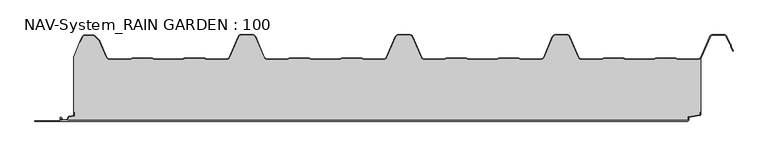
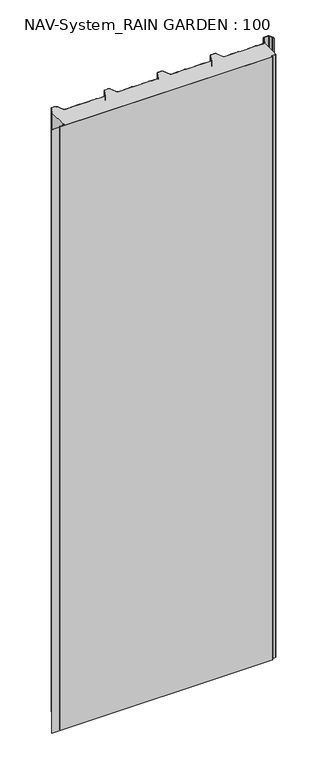
"""IFC4 building model written with IfcOpenShell, lengths in millimetres: plate geometry, NAV-System_RAIN GARDEN : 100."""

from ifc_helpers import new_model, si_unit, point, frame, frame_2d, origin, origin_with_axes, place, context, project, spatial, polyline, circle_curve, trimmed, segment, composite_curve, outline, extrude, source, transform, mapped, element, save


def nav_system_rain_garden_100_4d8628c5(model_context):
    return source(origin(), model_context, "Body", "SweptSolid", [
        extrude(outline(composite_curve([segment(polyline([(14.6767555, 519.0), (14.6767555, 518.2), (10.3721283, 518.2), (7.8818536, 500.4911207)]), True, "CONTINUOUS"), segment(trimmed(circle_curve(frame_2d((6.3964683, 500.7)), 1.5), [point((7.8818536, 500.4911207))], [point((6.3964683, 499.2))], False, "CARTESIAN"), True, "CONTINUOUS"), segment(polyline([(6.3964683, 499.2), (1.8, 499.2), (1.8, -498.7)]), True, "CONTINUOUS"), segment(trimmed(circle_curve(frame_2d((2.3, -498.7)), 0.5), [point((1.8, -498.7))], [point((2.3, -499.2))], True, "CARTESIAN"), True, "CONTINUOUS"), segment(polyline([(2.3, -499.2), (5.3700191, -499.2)]), True, "CONTINUOUS"), segment(trimmed(circle_curve(frame_2d((5.3700191, -498.7)), 0.5), [point((5.3700191, -499.2))], [point((5.6200191, -498.2669873))], True, "CARTESIAN"), True, "CONTINUOUS"), segment(polyline([(5.6200191, -498.2669873), (2.2, -496.2924383), (2.2, -488.9841833), (7.6866602, -485.8164586), (8.898332, -477.2), (14.6767555, -477.2), (14.6767555, -478.0), (9.5937048, -478.0), (8.5128213, -485.6863953)]), True, "CONTINUOUS"), segment(trimmed(circle_curve(frame_2d((7.2254873, -485.5053666)), 1.3), [point((8.5128213, -485.6863953))], [point((7.8754873, -486.6311996))], False, "CARTESIAN"), True, "CONTINUOUS"), segment(polyline([(7.8754873, -486.6311996), (3.0, -489.4460636), (3.0, -495.8305581), (6.0200191, -497.574167)]), True, "CONTINUOUS"), segment(trimmed(circle_curve(frame_2d((5.3700191, -498.7)), 1.3), [point((6.0200191, -497.574167))], [point((5.3700191, -500.0))], False, "CARTESIAN"), True, "CONTINUOUS"), segment(polyline([(5.3700191, -500.0), (2.3, -500.0)]), True, "CONTINUOUS"), segment(trimmed(circle_curve(frame_2d((2.3, -498.7)), 1.3), [point((2.3, -500.0))], [point((1.0, -498.7))], False, "CARTESIAN"), True, "CONTINUOUS"), segment(polyline([(1.0, -498.7), (1.0, -540.0), (0.0, -540.0), (0.0, 498.7), (1.0, 498.7)]), True, "CONTINUOUS"), segment(trimmed(circle_curve(frame_2d((2.3, 498.7)), 1.3), [point((1.0, 498.7))], [point((2.3, 500.0))], False, "CARTESIAN"), True, "CONTINUOUS"), segment(polyline([(2.3, 500.0), (6.3964683, 500.0)]), True, "CONTINUOUS"), segment(trimmed(circle_curve(frame_2d((6.3964683, 500.7)), 0.7), [point((6.3964683, 500.0))], [point((7.0896481, 500.602523))], True, "CARTESIAN"), True, "CONTINUOUS"), segment(polyline([(7.0896481, 500.602523), (9.5194024, 517.8810287)]), True, "CONTINUOUS"), segment(trimmed(circle_curve(frame_2d((10.8067363, 517.7)), 1.3), [point((9.5194024, 517.8810287))], [point((10.8067363, 519.0))], False, "CARTESIAN"), True, "CONTINUOUS"), segment(polyline([(10.8067363, 519.0), (14.6767555, 519.0)]), True, "CONTINUOUS")], self_intersect=False)), frame((0.0, 0.0, 3000.0), z_axis=(0.0, 0.0, -1.0), x_axis=(0.0, 1.0, 0.0)), (0.0, 0.0, 1.0), 3000.0),
        extrude(outline(composite_curve([segment(polyline([(519.0, 100.6220493), (519.0, 14.6767555), (518.2, 14.6767555), (518.2, 10.3721283), (500.4911207, 7.8818536)]), True, "CONTINUOUS"), segment(trimmed(circle_curve(frame_2d((500.7, 6.3964683)), 1.5), [point((500.4911207, 7.8818536))], [point((499.2, 6.3964683))], True, "CARTESIAN"), True, "CONTINUOUS"), segment(polyline([(499.2, 6.3964683), (499.2, 1.8), (-498.7, 1.8)]), True, "CONTINUOUS"), segment(trimmed(circle_curve(frame_2d((-498.7, 2.3)), 0.5), [point((-498.7, 1.8))], [point((-499.2, 2.3))], False, "CARTESIAN"), True, "CONTINUOUS"), segment(polyline([(-499.2, 2.3), (-499.2, 5.3700191)]), True, "CONTINUOUS"), segment(trimmed(circle_curve(frame_2d((-498.7, 5.3700191)), 0.5), [point((-499.2, 5.3700191))], [point((-498.2669873, 5.6200191))], False, "CARTESIAN"), True, "CONTINUOUS"), segment(polyline([(-498.2669873, 5.6200191), (-496.2924383, 2.2), (-488.9841833, 2.2), (-485.8164586, 7.6866602), (-477.2, 8.898332), (-477.2, 14.6767555), (-478.0, 14.6767555), (-478.0, 103.053822), (-468.3696578, 126.593514), (-467.6292254, 126.2905951), (-464.1022482, 134.9116756)]), True, "CONTINUOUS"), segment(trimmed(circle_curve(frame_2d((-461.1405186, 133.7)), 3.2), [point((-464.1022482, 134.9116756))], [point((-461.1405186, 136.9))], False, "CARTESIAN"), True, "CONTINUOUS"), segment(polyline([(-461.1405186, 136.9), (-447.7344665, 136.9)]), True, "CONTINUOUS"), segment(trimmed(circle_curve(frame_2d((-447.7344665, 132.7)), 4.2), [point((-447.7344665, 136.9))], [point((-444.764618, 135.6698485))], False, "CARTESIAN"), True, "CONTINUOUS"), segment(polyline([(-444.764618, 135.6698485), (-438.3136397, 129.2188701)]), True, "CONTINUOUS"), segment(trimmed(circle_curve(frame_2d((-441.2834882, 126.2490217)), 4.2), [point((-438.3136397, 129.2188701))], [point((-437.4245651, 127.9069459))], False, "CARTESIAN"), True, "CONTINUOUS"), segment(polyline([(-437.4245651, 127.9069459), (-426.3392729, 102.1052295)]), True, "CONTINUOUS"), segment(trimmed(circle_curve(frame_2d((-421.9290751, 104.0)), 4.8), [point((-426.3392729, 102.1052295))], [point((-421.9290751, 99.2))], True, "CARTESIAN"), True, "CONTINUOUS"), segment(polyline([(-421.9290751, 99.2), (-389.1564631, 99.2), (-385.1925378, 100.7), (-353.6825105, 100.7), (-349.6410865, 99.2), (-305.8231298, 99.2), (-301.9276212, 100.6741102), (-270.3491772, 100.7), (-266.3077532, 99.2), (-234.4101978, 99.2)]), True, "CONTINUOUS"), segment(trimmed(circle_curve(frame_2d((-234.4101978, 104.0)), 4.8), [point((-234.4101978, 99.2))], [point((-230.0, 102.1052295))], True, "CARTESIAN"), True, "CONTINUOUS"), segment(polyline([(-230.0, 102.1052295), (-215.7994417, 135.1579242)]), True, "CONTINUOUS"), segment(trimmed(circle_curve(frame_2d((-211.9405186, 133.5)), 4.2), [point((-215.7994417, 135.1579242))], [point((-211.9405186, 137.7))], False, "CARTESIAN"), True, "CONTINUOUS"), segment(polyline([(-211.9405186, 137.7), (-193.5280451, 137.7)]), True, "CONTINUOUS"), segment(trimmed(circle_curve(frame_2d((-193.5280451, 133.5)), 4.2), [point((-193.5280451, 137.7))], [point((-189.669122, 135.1579242))], False, "CARTESIAN"), True, "CONTINUOUS"), segment(polyline([(-189.669122, 135.1579242), (-175.4685637, 102.1052295)]), True, "CONTINUOUS"), segment(trimmed(circle_curve(frame_2d((-171.0583659, 104.0)), 4.8), [point((-175.4685637, 102.1052295))], [point((-171.0583659, 99.2))], True, "CARTESIAN"), True, "CONTINUOUS"), segment(polyline([(-171.0583659, 99.2), (-139.1564631, 99.2), (-135.1925378, 100.7), (-103.6825105, 100.7), (-99.6410865, 99.2), (-55.8231298, 99.2), (-51.9276212, 100.6741102), (-20.3491772, 100.7), (-16.3077532, 99.2), (15.5898022, 99.2)]), True, "CONTINUOUS"), segment(trimmed(circle_curve(frame_2d((15.5898022, 104.0)), 4.8), [point((15.5898022, 99.2))], [point((20.0, 102.1052295))], True, "CARTESIAN"), True, "CONTINUOUS"), segment(polyline([(20.0, 102.1052295), (34.2005583, 135.1579242)]), True, "CONTINUOUS"), segment(trimmed(circle_curve(frame_2d((38.0594814, 133.5)), 4.2), [point((34.2005583, 135.1579242))], [point((38.0594814, 137.7))], False, "CARTESIAN"), True, "CONTINUOUS"), segment(polyline([(38.0594814, 137.7), (56.4719549, 137.7)]), True, "CONTINUOUS"), segment(trimmed(circle_curve(frame_2d((56.4719549, 133.5)), 4.2), [point((56.4719549, 137.7))], [point((60.330878, 135.1579242))], False, "CARTESIAN"), True, "CONTINUOUS"), segment(polyline([(60.330878, 135.1579242), (74.5314363, 102.1052295)]), True, "CONTINUOUS"), segment(trimmed(circle_curve(frame_2d((78.9416341, 104.0)), 4.8), [point((74.5314363, 102.1052295))], [point((78.9416341, 99.2))], True, "CARTESIAN"), True, "CONTINUOUS"), segment(polyline([(78.9416341, 99.2), (110.8435369, 99.2), (114.8074622, 100.7), (146.3174895, 100.7), (150.3589135, 99.2), (194.1768702, 99.2), (198.0723788, 100.6741102), (229.6508228, 100.7), (233.6922468, 99.2), (265.5898022, 99.2)]), True, "CONTINUOUS"), segment(trimmed(circle_curve(frame_2d((265.5898022, 104.0)), 4.8), [point((265.5898022, 99.2))], [point((270.0, 102.1052295))], True, "CARTESIAN"), True, "CONTINUOUS"), segment(polyline([(270.0, 102.1052295), (284.2005583, 135.1579242)]), True, "CONTINUOUS"), segment(trimmed(circle_curve(frame_2d((288.0594814, 133.5)), 4.2), [point((284.2005583, 135.1579242))], [point((288.0594814, 137.7))], False, "CARTESIAN"), True, "CONTINUOUS"), segment(polyline([(288.0594814, 137.7), (306.4719549, 137.7)]), True, "CONTINUOUS"), segment(trimmed(circle_curve(frame_2d((306.4719549, 133.5)), 4.2), [point((306.4719549, 137.7))], [point((310.330878, 135.1579242))], False, "CARTESIAN"), True, "CONTINUOUS"), segment(polyline([(310.330878, 135.1579242), (324.5314363, 102.1052295)]), True, "CONTINUOUS"), segment(trimmed(circle_curve(frame_2d((328.9416341, 104.0)), 4.8), [point((324.5314363, 102.1052295))], [point((328.9416341, 99.2))], True, "CARTESIAN"), True, "CONTINUOUS"), segment(polyline([(328.9416341, 99.2), (360.8435369, 99.2), (364.7390455, 100.6741102), (396.3174895, 100.7), (400.3589135, 99.2), (444.1768702, 99.2), (448.0723788, 100.6741102), (479.6508228, 100.7), (483.6922468, 99.2), (515.5898022, 99.2)]), True, "CONTINUOUS"), segment(trimmed(circle_curve(frame_2d((515.5898022, 104.0)), 4.8), [point((515.5898022, 99.2))], [point((519.0, 100.6220493))], True, "CARTESIAN"), True, "CONTINUOUS")], self_intersect=False)), origin_with_axes(), (0.0, 0.0, 1.0), 3000.0),
        extrude(outline(composite_curve([segment(trimmed(circle_curve(frame_2d((-461.1408608, 133.7)), 4.0), [point((-464.8430228, 135.2145945))], [point((-461.1408608, 137.7))], False, "CARTESIAN"), True, "CONTINUOUS"), segment(polyline([(-461.1408608, 137.7), (-447.7348087, 137.7)]), True, "CONTINUOUS"), segment(trimmed(circle_curve(frame_2d((-447.7348087, 132.7)), 5.0), [point((-447.7348087, 137.7))], [point((-444.1992748, 136.2355339))], False, "CARTESIAN"), True, "CONTINUOUS"), segment(polyline([(-444.1992748, 136.2355339), (-437.7482965, 129.7845556)]), True, "CONTINUOUS"), segment(trimmed(circle_curve(frame_2d((-441.2838304, 126.2490217)), 5.0), [point((-437.7482965, 129.7845556))], [point((-436.6898744, 128.2227409))], False, "CARTESIAN"), True, "CONTINUOUS"), segment(polyline([(-436.6898744, 128.2227409), (-425.6045822, 102.4210246)]), True, "CONTINUOUS"), segment(trimmed(circle_curve(frame_2d((-421.9294173, 104.0)), 4.0), [point((-425.6045822, 102.4210246))], [point((-421.9294173, 100.0))], True, "CARTESIAN"), True, "CONTINUOUS"), segment(polyline([(-421.9294173, 100.0), (-389.3031082, 100.0), (-385.3391828, 101.5), (-353.4633986, 101.5), (-349.4994732, 100.0), (-305.9697749, 100.0), (-302.0058495, 101.5), (-270.1300653, 101.5), (-266.1661399, 100.0), (-234.41054, 100.0)]), True, "CONTINUOUS"), segment(trimmed(circle_curve(frame_2d((-234.41054, 104.0)), 4.0), [point((-234.41054, 100.0))], [point((-230.7353752, 102.4210246))], True, "CARTESIAN"), True, "CONTINUOUS"), segment(polyline([(-230.7353752, 102.4210246), (-216.5348169, 135.4737193)]), True, "CONTINUOUS"), segment(trimmed(circle_curve(frame_2d((-211.9408608, 133.5)), 5.0), [point((-216.5348169, 135.4737193))], [point((-211.9408608, 138.5))], False, "CARTESIAN"), True, "CONTINUOUS"), segment(polyline([(-211.9408608, 138.5), (-193.5283873, 138.5)]), True, "CONTINUOUS"), segment(trimmed(circle_curve(frame_2d((-193.5283873, 133.5)), 5.0), [point((-193.5283873, 138.5))], [point((-188.9344313, 135.4737193))], False, "CARTESIAN"), True, "CONTINUOUS"), segment(polyline([(-188.9344313, 135.4737193), (-174.7338729, 102.4210246)]), True, "CONTINUOUS"), segment(trimmed(circle_curve(frame_2d((-171.0587081, 104.0)), 4.0), [point((-174.7338729, 102.4210246))], [point((-171.0587081, 100.0))], True, "CARTESIAN"), True, "CONTINUOUS"), segment(polyline([(-171.0587081, 100.0), (-139.3031082, 100.0), (-135.3391828, 101.5), (-103.4633986, 101.5), (-99.4994732, 100.0), (-55.9697749, 100.0), (-52.0058495, 101.5), (-20.1300653, 101.5), (-16.1661399, 100.0), (15.58946, 100.0)]), True, "CONTINUOUS"), segment(trimmed(circle_curve(frame_2d((15.58946, 104.0)), 4.0), [point((15.58946, 100.0))], [point((19.2646248, 102.4210246))], True, "CARTESIAN"), True, "CONTINUOUS"), segment(polyline([(19.2646248, 102.4210246), (33.4651831, 135.4737193)]), True, "CONTINUOUS"), segment(trimmed(circle_curve(frame_2d((38.0591392, 133.5)), 5.0), [point((33.4651831, 135.4737193))], [point((38.0591392, 138.5))], False, "CARTESIAN"), True, "CONTINUOUS"), segment(polyline([(38.0591392, 138.5), (56.4716127, 138.5)]), True, "CONTINUOUS"), segment(trimmed(circle_curve(frame_2d((56.4716127, 133.5)), 5.0), [point((56.4716127, 138.5))], [point((61.0655687, 135.4737193))], False, "CARTESIAN"), True, "CONTINUOUS"), segment(polyline([(61.0655687, 135.4737193), (75.2661271, 102.4210246)]), True, "CONTINUOUS"), segment(trimmed(circle_curve(frame_2d((78.9412919, 104.0)), 4.0), [point((75.2661271, 102.4210246))], [point((78.9412919, 100.0))], True, "CARTESIAN"), True, "CONTINUOUS"), segment(polyline([(78.9412919, 100.0), (110.6968918, 100.0), (114.6608172, 101.5), (146.5366014, 101.5), (150.5005268, 100.0), (194.0302251, 100.0), (197.9941505, 101.5), (229.8699347, 101.5), (233.8338601, 100.0), (265.58946, 100.0)]), True, "CONTINUOUS"), segment(trimmed(circle_curve(frame_2d((265.58946, 104.0)), 4.0), [point((265.58946, 100.0))], [point((269.2646248, 102.4210246))], True, "CARTESIAN"), True, "CONTINUOUS"), segment(polyline([(269.2646248, 102.4210246), (283.4651831, 135.4737193)]), True, "CONTINUOUS"), segment(trimmed(circle_curve(frame_2d((288.0591392, 133.5)), 5.0), [point((283.4651831, 135.4737193))], [point((288.0591392, 138.5))], False, "CARTESIAN"), True, "CONTINUOUS"), segment(polyline([(288.0591392, 138.5), (306.4716127, 138.5)]), True, "CONTINUOUS"), segment(trimmed(circle_curve(frame_2d((306.4716127, 133.5)), 5.0), [point((306.4716127, 138.5))], [point((311.0655687, 135.4737193))], False, "CARTESIAN"), True, "CONTINUOUS"), segment(polyline([(311.0655687, 135.4737193), (325.2661271, 102.4210246)]), True, "CONTINUOUS"), segment(trimmed(circle_curve(frame_2d((328.9412919, 104.0)), 4.0), [point((325.2661271, 102.4210246))], [point((328.9412919, 100.0))], True, "CARTESIAN"), True, "CONTINUOUS"), segment(polyline([(328.9412919, 100.0), (360.6968918, 100.0), (364.6608172, 101.5), (396.5366014, 101.5), (400.5005268, 100.0), (444.0302251, 100.0), (447.9941505, 101.5), (479.8699347, 101.5), (483.8338601, 100.0), (515.58946, 100.0)]), True, "CONTINUOUS"), segment(trimmed(circle_curve(frame_2d((515.58946, 104.0)), 4.0), [point((515.58946, 100.0))], [point((519.2646248, 102.4210246))], True, "CARTESIAN"), True, "CONTINUOUS"), segment(polyline([(519.2646248, 102.4210246), (533.4651831, 135.4737193)]), True, "CONTINUOUS"), segment(trimmed(circle_curve(frame_2d((538.0591392, 133.5)), 5.0), [point((533.4651831, 135.4737193))], [point((538.0591392, 138.5))], False, "CARTESIAN"), True, "CONTINUOUS"), segment(polyline([(538.0591392, 138.5), (556.4716127, 138.5)]), True, "CONTINUOUS"), segment(trimmed(circle_curve(frame_2d((556.4716127, 133.5)), 5.0), [point((556.4716127, 138.5))], [point((561.0655687, 135.4737193))], False, "CARTESIAN"), True, "CONTINUOUS"), segment(polyline([(561.0655687, 135.4737193), (565.9006789, 124.2196957), (567.9230626, 122.4138642), (567.8408612, 119.703799), (570.8182039, 112.7738461), (570.0831709, 112.458051), (567.0358547, 119.5508717), (567.1121268, 122.0654564), (565.2356202, 123.741031), (560.3305358, 135.1579242)]), True, "CONTINUOUS"), segment(trimmed(circle_curve(frame_2d((556.4716127, 133.5)), 4.2), [point((560.3305358, 135.1579242))], [point((556.4716127, 137.7))], True, "CARTESIAN"), True, "CONTINUOUS"), segment(polyline([(556.4716127, 137.7), (538.0591392, 137.7)]), True, "CONTINUOUS"), segment(trimmed(circle_curve(frame_2d((538.0591392, 133.5)), 4.2), [point((538.0591392, 137.7))], [point((534.2002161, 135.1579242))], True, "CARTESIAN"), True, "CONTINUOUS"), segment(polyline([(534.2002161, 135.1579242), (519.9996578, 102.1052295)]), True, "CONTINUOUS"), segment(trimmed(circle_curve(frame_2d((515.58946, 104.0)), 4.8), [point((519.9996578, 102.1052295))], [point((515.58946, 99.2))], False, "CARTESIAN"), True, "CONTINUOUS"), segment(polyline([(515.58946, 99.2), (483.6919046, 99.2), (479.6504806, 100.7), (448.0720366, 100.6741102), (444.1765279, 99.2), (400.3585713, 99.2), (396.3171473, 100.7), (364.7387033, 100.6741102), (360.8431946, 99.2), (328.9412919, 99.2)]), True, "CONTINUOUS"), segment(trimmed(circle_curve(frame_2d((328.9412919, 104.0)), 4.8), [point((328.9412919, 99.2))], [point((324.5310941, 102.1052295))], False, "CARTESIAN"), True, "CONTINUOUS"), segment(polyline([(324.5310941, 102.1052295), (310.3305358, 135.1579242)]), True, "CONTINUOUS"), segment(trimmed(circle_curve(frame_2d((306.4716127, 133.5)), 4.2), [point((310.3305358, 135.1579242))], [point((306.4716127, 137.7))], True, "CARTESIAN"), True, "CONTINUOUS"), segment(polyline([(306.4716127, 137.7), (288.0591392, 137.7)]), True, "CONTINUOUS"), segment(trimmed(circle_curve(frame_2d((288.0591392, 133.5)), 4.2), [point((288.0591392, 137.7))], [point((284.2002161, 135.1579242))], True, "CARTESIAN"), True, "CONTINUOUS"), segment(polyline([(284.2002161, 135.1579242), (269.9996578, 102.1052295)]), True, "CONTINUOUS"), segment(trimmed(circle_curve(frame_2d((265.58946, 104.0)), 4.8), [point((269.9996578, 102.1052295))], [point((265.58946, 99.2))], False, "CARTESIAN"), True, "CONTINUOUS"), segment(polyline([(265.58946, 99.2), (233.6919046, 99.2), (229.6504806, 100.7), (198.0720366, 100.6741102), (194.1765279, 99.2), (150.3585713, 99.2), (146.3171473, 100.7), (114.7387033, 100.6741102), (110.8431946, 99.2), (78.9412919, 99.2)]), True, "CONTINUOUS"), segment(trimmed(circle_curve(frame_2d((78.9412919, 104.0)), 4.8), [point((78.9412919, 99.2))], [point((74.5310941, 102.1052295))], False, "CARTESIAN"), True, "CONTINUOUS"), segment(polyline([(74.5310941, 102.1052295), (60.3305358, 135.1579242)]), True, "CONTINUOUS"), segment(trimmed(circle_curve(frame_2d((56.4716127, 133.5)), 4.2), [point((60.3305358, 135.1579242))], [point((56.4716127, 137.7))], True, "CARTESIAN"), True, "CONTINUOUS"), segment(polyline([(56.4716127, 137.7), (38.0591392, 137.7)]), True, "CONTINUOUS"), segment(trimmed(circle_curve(frame_2d((38.0591392, 133.5)), 4.2), [point((38.0591392, 137.7))], [point((34.2002161, 135.1579242))], True, "CARTESIAN"), True, "CONTINUOUS"), segment(polyline([(34.2002161, 135.1579242), (19.9996578, 102.1052295)]), True, "CONTINUOUS"), segment(trimmed(circle_curve(frame_2d((15.58946, 104.0)), 4.8), [point((19.9996578, 102.1052295))], [point((15.58946, 99.2))], False, "CARTESIAN"), True, "CONTINUOUS"), segment(polyline([(15.58946, 99.2), (-16.3080954, 99.2), (-20.3495194, 100.7), (-51.9279634, 100.6741102), (-55.8234721, 99.2), (-99.6414287, 99.2), (-103.6828527, 100.7), (-135.2612967, 100.6741102), (-139.1568054, 99.2), (-171.0587081, 99.2)]), True, "CONTINUOUS"), segment(trimmed(circle_curve(frame_2d((-171.0587081, 104.0)), 4.8), [point((-171.0587081, 99.2))], [point((-175.4689059, 102.1052295))], False, "CARTESIAN"), True, "CONTINUOUS"), segment(polyline([(-175.4689059, 102.1052295), (-189.6694642, 135.1579242)]), True, "CONTINUOUS"), segment(trimmed(circle_curve(frame_2d((-193.5283873, 133.5)), 4.2), [point((-189.6694642, 135.1579242))], [point((-193.5283873, 137.7))], True, "CARTESIAN"), True, "CONTINUOUS"), segment(polyline([(-193.5283873, 137.7), (-211.9408608, 137.7)]), True, "CONTINUOUS"), segment(trimmed(circle_curve(frame_2d((-211.9408608, 133.5)), 4.2), [point((-211.9408608, 137.7))], [point((-215.7997839, 135.1579242))], True, "CARTESIAN"), True, "CONTINUOUS"), segment(polyline([(-215.7997839, 135.1579242), (-230.0003422, 102.1052295)]), True, "CONTINUOUS"), segment(trimmed(circle_curve(frame_2d((-234.41054, 104.0)), 4.8), [point((-230.0003422, 102.1052295))], [point((-234.41054, 99.2))], False, "CARTESIAN"), True, "CONTINUOUS"), segment(polyline([(-234.41054, 99.2), (-266.3080954, 99.2), (-270.3495194, 100.7), (-301.9279634, 100.6741102), (-305.8234721, 99.2), (-349.6414287, 99.2), (-353.6828527, 100.7), (-385.19288, 100.7), (-389.1568054, 99.2), (-421.9294173, 99.2)]), True, "CONTINUOUS"), segment(trimmed(circle_curve(frame_2d((-421.9294173, 104.0)), 4.8), [point((-421.9294173, 99.2))], [point((-426.3396151, 102.1052295))], False, "CARTESIAN"), True, "CONTINUOUS"), segment(polyline([(-426.3396151, 102.1052295), (-437.4249073, 127.9069459)]), True, "CONTINUOUS"), segment(trimmed(circle_curve(frame_2d((-441.2838304, 126.2490217)), 4.2), [point((-437.4249073, 127.9069459))], [point((-438.3139819, 129.2188701))], True, "CARTESIAN"), True, "CONTINUOUS"), segment(polyline([(-438.3139819, 129.2188701), (-444.7649603, 135.6698485)]), True, "CONTINUOUS"), segment(trimmed(circle_curve(frame_2d((-447.7348087, 132.7)), 4.2), [point((-444.7649603, 135.6698485))], [point((-447.7348087, 136.9))], True, "CARTESIAN"), True, "CONTINUOUS"), segment(polyline([(-447.7348087, 136.9), (-461.1408608, 136.9)]), True, "CONTINUOUS"), segment(trimmed(circle_curve(frame_2d((-461.1408608, 133.7)), 3.2), [point((-461.1408608, 136.9))], [point((-464.1025904, 134.9116756))], True, "CARTESIAN"), True, "CONTINUOUS"), segment(polyline([(-464.1025904, 134.9116756), (-467.6295676, 126.2905951), (-468.37, 126.593514), (-464.8430228, 135.2145945)]), True, "CONTINUOUS")], self_intersect=False)), origin_with_axes(), (0.0, 0.0, 1.0), 3000.0),
    ])


if __name__ == "__main__":
    model = new_model("IFC4")
    model_context = context("Model", 3, world=origin())
    ifc_project = project(units=[si_unit("LENGTHUNIT", "METRE", prefix="MILLI")], contexts=[model_context])
    site = spatial("IfcSite", under=ifc_project)
    building = spatial("IfcBuilding", under=site)
    placement = place(None, origin())
    nav_system_rain_garden_100_shape = nav_system_rain_garden_100_4d8628c5(model_context)
    element("IfcPlate", 1, ObjectType="NAV-System_RAIN GARDEN : 100", at=placement, inside=building, context=model_context, shape_type="MappedRepresentation", body=[
        mapped(nav_system_rain_garden_100_shape, transform((0.0, 0.0, 0.0), x_axis=(1.0, 0.0, 0.0), y_axis=(0.0, 1.0, 0.0), z_axis=(0.0, 0.0, 1.0))),
    ])
    save(model, "model.ifc")
